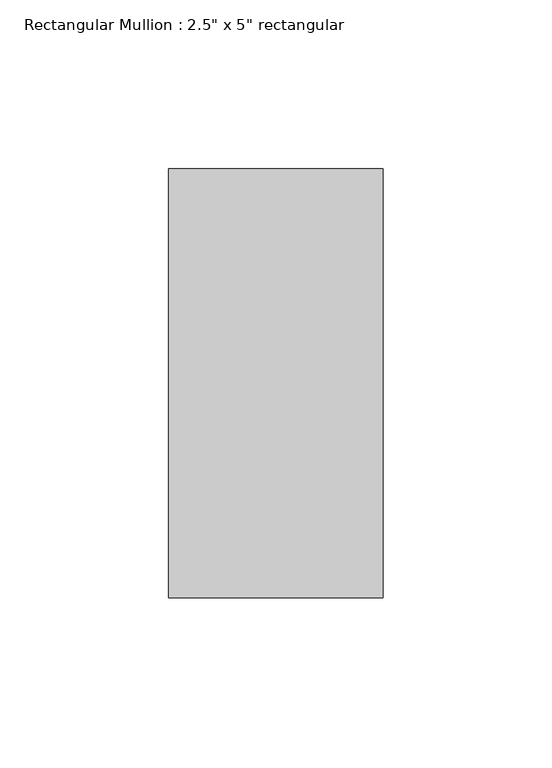
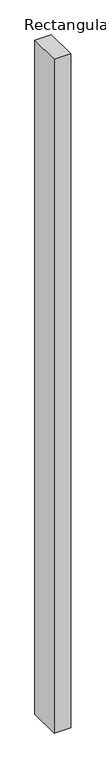
"""IFC4 building model written with IfcOpenShell, lengths in millimetres: member geometry."""

from ifc_helpers import new_model, si_unit, frame, origin, place, context, project, spatial, polyline, outline, extrude, source, transform, mapped, element, save


def member_7a09b375(model_context):
    return source(origin(), model_context, "Body", "SweptSolid", [
        extrude(outline(polyline([(0.0, 63.5), (0.0, -63.5), (-63.5, -63.5), (-63.5, 63.5), (0.0, 63.5)])), frame((0.0, 0.0, -2730.5), z_axis=(0.0, 0.0, 1.0), x_axis=(1.0, 0.0, 0.0)), (0.0, 0.0, 1.0), 2730.5),
    ])


if __name__ == "__main__":
    model = new_model("IFC4")
    model_context = context("Model", 3, world=origin())
    ifc_project = project(units=[si_unit("LENGTHUNIT", "METRE", prefix="MILLI")], contexts=[model_context])
    site = spatial("IfcSite", under=ifc_project)
    building = spatial("IfcBuilding", under=site)
    placement = place(None, origin())
    member_shape = member_7a09b375(model_context)
    element("IfcMember", 1, ObjectType="Rectangular Mullion : 2.5\" x 5\" rectangular", at=placement, inside=building, context=model_context, shape_type="MappedRepresentation", body=[
        mapped(member_shape, transform((0.0, 0.0, 0.0), x_axis=(1.0, 0.0, 0.0), y_axis=(0.0, 1.0, 0.0), z_axis=(0.0, 0.0, 1.0))),
    ])
    save(model, "model.ifc")
